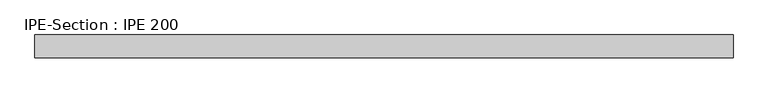
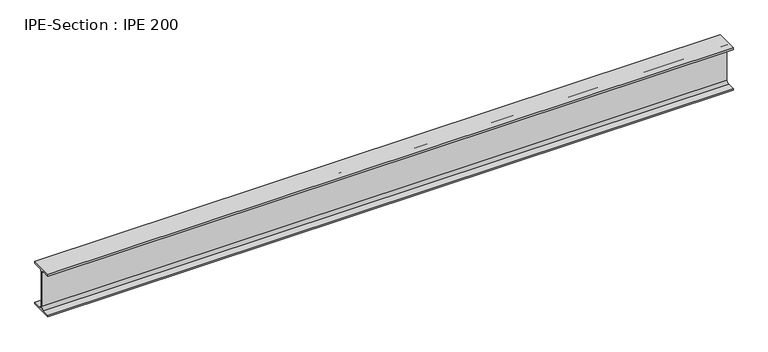
"""IFC4 building model written with IfcOpenShell, lengths in millimetres: beam geometry, IPE-Section : IPE 200."""

from ifc_helpers import new_model, si_unit, point, frame, frame_2d, origin, place, context, project, spatial, polyline, circle_curve, trimmed, segment, composite_curve, outline, extrude, source, transform, mapped, element, save


def ipe_section_ipe_200_53a76c01(model_context):
    return source(origin(), model_context, "Body", "SweptSolid", [
        extrude(outline(composite_curve([segment(polyline([(50.0, -91.5), (50.0, -100.0), (-50.0, -100.0), (-50.0, -91.5), (-14.8, -91.5)]), True, "CONTINUOUS"), segment(trimmed(circle_curve(frame_2d((-14.8, -79.5)), 12.0), [point((-14.8, -91.5))], [point((-2.8, -79.5))], True, "CARTESIAN"), True, "CONTINUOUS"), segment(polyline([(-2.8, -79.5), (-2.8, 79.5)]), True, "CONTINUOUS"), segment(trimmed(circle_curve(frame_2d((-14.8, 79.5)), 12.0), [point((-2.8, 79.5))], [point((-14.8, 91.5))], True, "CARTESIAN"), True, "CONTINUOUS"), segment(polyline([(-14.8, 91.5), (-50.0, 91.5), (-50.0, 100.0), (50.0, 100.0), (50.0, 91.5), (14.8, 91.5)]), True, "CONTINUOUS"), segment(trimmed(circle_curve(frame_2d((14.8, 79.5)), 12.0), [point((14.8, 91.5))], [point((2.8, 79.5))], True, "CARTESIAN"), True, "CONTINUOUS"), segment(polyline([(2.8, 79.5), (2.8, -79.5)]), True, "CONTINUOUS"), segment(trimmed(circle_curve(frame_2d((14.8, -79.5)), 12.0), [point((2.8, -79.5))], [point((14.8, -91.5))], True, "CARTESIAN"), True, "CONTINUOUS"), segment(polyline([(14.8, -91.5), (50.0, -91.5)]), True, "CONTINUOUS")], self_intersect=False)), frame((-1519.8, 0.0, 0.0), z_axis=(1.0, 0.0, 0.0), x_axis=(0.0, 1.0, 0.0)), (0.0, 0.0, 1.0), 3039.6),
    ])


if __name__ == "__main__":
    model = new_model("IFC4")
    model_context = context("Model", 3, world=origin())
    ifc_project = project(units=[si_unit("LENGTHUNIT", "METRE", prefix="MILLI")], contexts=[model_context])
    site = spatial("IfcSite", under=ifc_project)
    building = spatial("IfcBuilding", under=site)
    placement = place(None, origin())
    ipe_section_ipe_200_shape = ipe_section_ipe_200_53a76c01(model_context)
    element("IfcBeam", 1, ObjectType="IPE-Section : IPE 200", at=placement, inside=building, context=model_context, shape_type="MappedRepresentation", body=[
        mapped(ipe_section_ipe_200_shape, transform((0.0, 0.0, 0.0), x_axis=(1.0, 0.0, 0.0), y_axis=(0.0, 1.0, 0.0), z_axis=(0.0, 0.0, 1.0))),
    ])
    save(model, "model.ifc")
